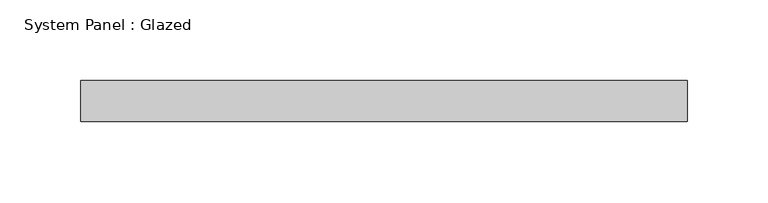
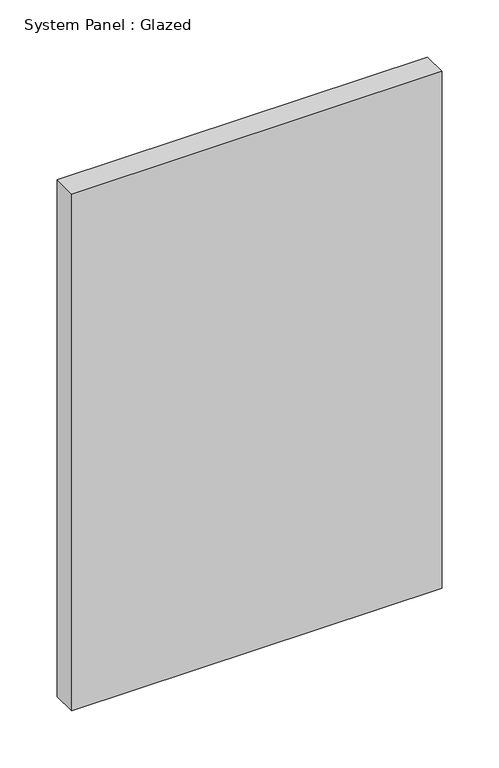
"""IFC4 building model written with IfcOpenShell, lengths in millimetres: plate geometry, System Panel : Glazed."""

import ifcopenshell
import ifcopenshell.guid

model = None  # the IFC model being written
_history = None  # IfcOwnerHistory: only IFC2X3 demands one
_inside = {}  # id of a spatial element -> (the spatial element, [elements in it])
_under = {}  # id of a project, library or spatial element -> (it, [spatial elements below it])
_declared = {}  # id of a project -> (the project, [libraries it declares])
_typed = {}  # id of a type object -> (the type object, [elements of that type])
_made_of = {}  # id of a material, layer set ... -> (it, [elements and type objects made of it])


def new_model(schema):
    """Start an empty IFC model of exactly this schema.

    Asked for "IFC4X3", IfcOpenShell would pick the latest addendum, in which some entities
    have other attributes; the version numbers below select the first issue.
    IFC2X3 requires an IfcOwnerHistory on every rooted entity: one is made here for all.
    """
    global model, _history
    if schema == "IFC4X3":
        model = ifcopenshell.file(schema_version=(4, 3, 0, 0))
    else:
        model = ifcopenshell.file(schema=schema)
    _inside.clear()
    _under.clear()
    _declared.clear()
    _typed.clear()
    _made_of.clear()
    _history = None
    if model.schema == "IFC2X3":
        org = make("IfcOrganization", Name="unknown")
        user = make(
            "IfcPersonAndOrganization",
            ThePerson=make("IfcPerson", FamilyName="unknown"),
            TheOrganization=org,
        )
        app = make(
            "IfcApplication",
            ApplicationDeveloper=org,
            Version="unknown",
            ApplicationFullName="unknown",
            ApplicationIdentifier="unknown",
        )
        _history = make(
            "IfcOwnerHistory",
            OwningUser=user,
            OwningApplication=app,
            ChangeAction="ADDED",
            CreationDate=0,
        )
    return model


def make(cls, **values):
    """One entity of the class cls with the attributes given. An attribute that is None is left unset."""
    return model.create_entity(
        cls, **{name: value for name, value in values.items() if value is not None}
    )


def rooted(cls, **values):
    """An entity with a GlobalId (a new one), such as an element, a storey or a relation."""
    return make(cls, GlobalId=ifcopenshell.guid.new(), OwnerHistory=_history, **values)


def si_unit(unit_type, name, prefix=None):
    """IfcSIUnit, for example si_unit("LENGTHUNIT", "METRE", prefix="MILLI")."""
    return make("IfcSIUnit", UnitType=unit_type, Prefix=prefix, Name=name)


def assignment(units):
    """IfcUnitAssignment: the units of a project."""
    return None if units is None else make("IfcUnitAssignment", Units=units)


def point(xyz):
    """IfcCartesianPoint."""
    return None if xyz is None else make("IfcCartesianPoint", Coordinates=xyz)


def direction(xyz):
    """IfcDirection."""
    return None if xyz is None else make("IfcDirection", DirectionRatios=xyz)


def frame(location, z_axis=None, x_axis=None):
    """IfcAxis2Placement3D, a coordinate frame: its origin and axes. An axis left out is left unset."""
    return make(
        "IfcAxis2Placement3D",
        Location=point(location),
        Axis=direction(z_axis),
        RefDirection=direction(x_axis),
    )


def origin():
    """The frame at (0, 0, 0) with its axes left unset."""
    return frame((0.0, 0.0, 0.0))


def origin_with_axes():
    """The frame at (0, 0, 0) with the z axis (0, 0, 1) and the x axis (1, 0, 0) written out."""
    return frame((0.0, 0.0, 0.0), z_axis=(0.0, 0.0, 1.0), x_axis=(1.0, 0.0, 0.0))


def place(relative_to, where):
    """IfcLocalPlacement: puts the frame where relative to a parent placement (None: the world)."""
    return make(
        "IfcLocalPlacement", PlacementRelTo=relative_to, RelativePlacement=where
    )


def context(
    kind, dimensions, precision=None, world=None, true_north=None, identifier=None
):
    """IfcGeometricRepresentationContext, for example the 3D "Model" context."""
    return make(
        "IfcGeometricRepresentationContext",
        ContextIdentifier=identifier,
        ContextType=kind,
        CoordinateSpaceDimension=dimensions,
        Precision=precision,
        WorldCoordinateSystem=world,
        TrueNorth=true_north,
    )


def project(units=None, contexts=None):
    """IfcProject with its units and contexts."""
    return rooted(
        "IfcProject",
        Name="project",
        RepresentationContexts=contexts,
        UnitsInContext=assignment(units),
    )


def spatial(cls, under=None, at=None, **own):
    """A site, building, storey or space (cls), placed at a placement, below another one or the project."""
    s = rooted(cls, ObjectPlacement=at, **own)
    if under is not None:
        _under.setdefault(under.id(), (under, []))[1].append(s)
    return s


def polyline(points):
    """IfcPolyline through the points."""
    return make("IfcPolyline", Points=[point(p) for p in points])


def outline(outer, holes=None, kind="AREA"):
    """IfcArbitraryClosedProfileDef: a profile drawn as a closed curve; with holes, ...WithVoids."""
    if holes is None:
        return make("IfcArbitraryClosedProfileDef", ProfileType=kind, OuterCurve=outer)
    return make(
        "IfcArbitraryProfileDefWithVoids",
        ProfileType=kind,
        OuterCurve=outer,
        InnerCurves=holes,
    )


def extrude(swept, where, along, depth):
    """IfcExtrudedAreaSolid: the profile swept, set in the frame where, extruded along a direction by depth."""
    return make(
        "IfcExtrudedAreaSolid",
        SweptArea=swept,
        Position=where,
        ExtrudedDirection=direction(along),
        Depth=depth,
    )


def shape(context_of_items, identifier, shape_type, items):
    """IfcShapeRepresentation: the items that make up one representation, for example the "Body"."""
    return make(
        "IfcShapeRepresentation",
        ContextOfItems=context_of_items,
        RepresentationIdentifier=identifier,
        RepresentationType=shape_type,
        Items=items,
    )


def source(mapping_origin, context_of_items, identifier, shape_type, items):
    """IfcRepresentationMap: a shape defined once, which mapped items show again and again."""
    return make(
        "IfcRepresentationMap",
        MappingOrigin=mapping_origin,
        MappedRepresentation=shape(context_of_items, identifier, shape_type, items),
    )


def transform(
    local_origin,
    x_axis=None,
    y_axis=None,
    z_axis=None,
    scale=None,
    scale2=None,
    scale3=None,
    uniform=True,
):
    """IfcCartesianTransformationOperator3D, or its non-uniform kind. x_axis, y_axis, z_axis: its Axis1, 2, 3."""
    if uniform:
        return make(
            "IfcCartesianTransformationOperator3D",
            Axis1=direction(x_axis),
            Axis2=direction(y_axis),
            LocalOrigin=point(local_origin),
            Scale=scale,
            Axis3=direction(z_axis),
        )
    return make(
        "IfcCartesianTransformationOperator3DnonUniform",
        Axis1=direction(x_axis),
        Axis2=direction(y_axis),
        LocalOrigin=point(local_origin),
        Scale=scale,
        Axis3=direction(z_axis),
        Scale2=scale2,
        Scale3=scale3,
    )


def mapped(mapping_source, mapping_target):
    """IfcMappedItem: shows the shape of a source again, moved by a transform."""
    return make(
        "IfcMappedItem", MappingSource=mapping_source, MappingTarget=mapping_target
    )


def made_of(thing, what):
    """Note that an element or type object is made of a material, layer set ...; save() writes the relation."""
    if what is not None:
        _made_of.setdefault(what.id(), (what, []))[1].append(thing)
    return thing


def element(
    cls,
    number,
    at=None,
    inside=None,
    cuts=None,
    type_object=None,
    material=None,
    context=None,
    identifier="Body",
    shape_type=None,
    held_by="IfcProductDefinitionShape",
    body=None,
    shapes=None,
    **own,
):
    """One element of the class cls, such as IfcWall. Its Tag is "e" and its number.

    at: its placement. inside: the storey or other place that contains it. cuts: it is an
    opening in that element (IfcRelVoidsElement). A single representation is given by context,
    identifier, shape_type and body (its items); several are given by shapes. held_by: the class
    of the entity that holds the representations. save() writes the other relations.
    """
    e = rooted(cls, Tag="e%d" % number, ObjectPlacement=at, **own)
    if body is not None:
        shapes = [shape(context, identifier, shape_type, body)]
    if shapes is not None:
        e.Representation = make(held_by, Representations=shapes)
    if inside is not None:
        _inside.setdefault(inside.id(), (inside, []))[1].append(e)
    if cuts is not None:
        rooted(
            "IfcRelVoidsElement", RelatingBuildingElement=cuts, RelatedOpeningElement=e
        )
    if type_object is not None:
        _typed.setdefault(type_object.id(), (type_object, []))[1].append(e)
    return made_of(e, material)


def aggregate(whole, parts):
    """IfcRelAggregates: a whole, such as a stair, and the parts it consists of."""
    return rooted("IfcRelAggregates", RelatingObject=whole, RelatedObjects=parts)


def save(model, path):
    """Write the relations noted so far, then the file.

    IfcRelAggregates (storeys below a building ...), IfcRelContainedInSpatialStructure (elements
    in a storey), IfcRelDefinesByType, IfcRelAssociatesMaterial and IfcRelDeclares: one each for
    every whole, place, type object, material and project.
    """
    for whole, parts in _under.values():
        aggregate(whole, parts)
    for where, things in _inside.values():
        rooted(
            "IfcRelContainedInSpatialStructure",
            RelatedElements=things,
            RelatingStructure=where,
        )
    for kind, things in _typed.values():
        rooted("IfcRelDefinesByType", RelatedObjects=things, RelatingType=kind)
    for what, things in _made_of.values():
        rooted("IfcRelAssociatesMaterial", RelatedObjects=things, RelatingMaterial=what)
    for by, libraries in _declared.values():
        rooted("IfcRelDeclares", RelatingContext=by, RelatedDefinitions=libraries)
    model.write(path)


def system_panel_glazed_2b018f8c(model_context):
    return source(origin(), model_context, "Body", "SweptSolid", [
        extrude(outline(polyline([(187.325, -12.7), (-187.325, -12.7), (-187.325, 12.7), (187.325, 12.7), (187.325, -12.7)])), origin_with_axes(), (0.0, 0.0, 1.0), 552.45),
    ])


if __name__ == "__main__":
    model = new_model("IFC4")
    model_context = context("Model", 3, world=origin())
    ifc_project = project(units=[si_unit("LENGTHUNIT", "METRE", prefix="MILLI")], contexts=[model_context])
    site = spatial("IfcSite", under=ifc_project)
    building = spatial("IfcBuilding", under=site)
    placement = place(None, origin())
    system_panel_glazed_shape = system_panel_glazed_2b018f8c(model_context)
    element("IfcPlate", 1, ObjectType="System Panel : Glazed", at=placement, inside=building, context=model_context, shape_type="MappedRepresentation", body=[
        mapped(system_panel_glazed_shape, transform((0.0, 0.0, 0.0), x_axis=(1.0, 0.0, 0.0), y_axis=(0.0, 1.0, 0.0), z_axis=(0.0, 0.0, 1.0))),
    ])
    save(model, "model.ifc")
